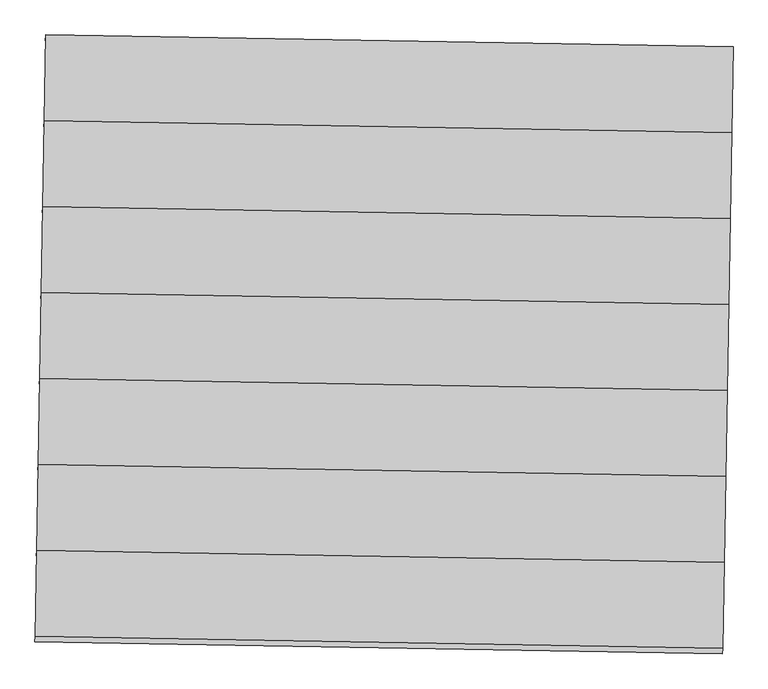
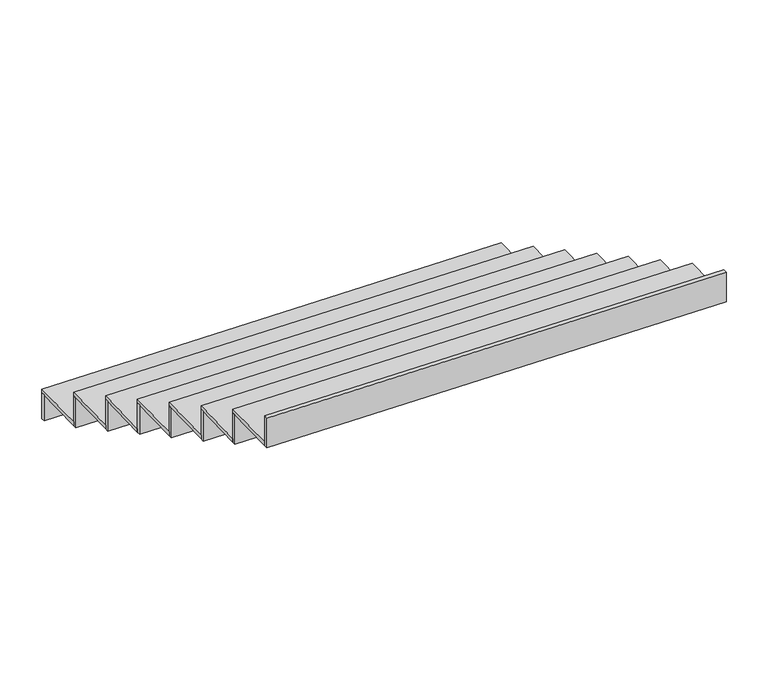
"""IFC4 building model written with IfcOpenShell, lengths in millimetres: stair flight geometry."""

from ifc_helpers import new_model, si_unit, frame, origin, place, context, project, spatial, polyline, outline, extrude, source, transform, mapped, element, save


def stair_flight_c9945458(model_context):
    return source(origin(), model_context, "Body", "SweptSolid", [
        extrude(outline(polyline([(-142949.6948307, 85679.1422095), (-142949.3457825, 85699.1391634), (-140549.7113142, 85657.2533879), (-140550.0603623, 85637.256434), (-142949.6948307, 85679.1422095)])), frame((0.0, 0.0, 8633.5), z_axis=(0.0, 0.0, 1.0), x_axis=(1.0, 0.0, 0.0)), (0.0, 0.0, 1.0), 145.078125),
        extrude(outline(polyline([(-140554.9470361, 85357.2990794), (-142954.5815045, 85399.1848548), (-142949.3457825, 85699.1391634), (-140549.7113142, 85657.2533879), (-140554.9470361, 85357.2990794)])), frame((0.0, 0.0, 8778.578125), z_axis=(0.0, 0.0, 1.0), x_axis=(1.0, 0.0, 0.0)), (0.0, 0.0, 1.0), 20.0),
        extrude(outline(polyline([(-142954.9305526, 85379.1879009), (-142954.5815045, 85399.1848548), (-140554.9470361, 85357.2990794), (-140555.2960842, 85337.3021255), (-142954.9305526, 85379.1879009)])), frame((0.0, 0.0, 8778.578125), z_axis=(0.0, 0.0, 1.0), x_axis=(1.0, 0.0, 0.0)), (0.0, 0.0, 1.0), 165.078125),
        extrude(outline(polyline([(-140560.182758, 85057.3447708), (-142959.8172264, 85099.2305463), (-142954.5815045, 85399.1848548), (-140554.9470361, 85357.2990794), (-140560.182758, 85057.3447708)])), frame((0.0, 0.0, 8943.65625), z_axis=(0.0, 0.0, 1.0), x_axis=(1.0, 0.0, 0.0)), (0.0, 0.0, 1.0), 20.0),
        extrude(outline(polyline([(-142960.1662745, 85079.2335924), (-142959.8172264, 85099.2305463), (-140560.182758, 85057.3447708), (-140560.5318062, 85037.3478169), (-142960.1662745, 85079.2335924)])), frame((0.0, 0.0, 8943.65625), z_axis=(0.0, 0.0, 1.0), x_axis=(1.0, 0.0, 0.0)), (0.0, 0.0, 1.0), 165.078125),
        extrude(outline(polyline([(-140565.41848, 84757.3904623), (-142965.0529483, 84799.2762377), (-142959.8172264, 85099.2305463), (-140560.182758, 85057.3447708), (-140565.41848, 84757.3904623)])), frame((0.0, 0.0, 9108.734375), z_axis=(0.0, 0.0, 1.0), x_axis=(1.0, 0.0, 0.0)), (0.0, 0.0, 1.0), 20.0),
        extrude(outline(polyline([(-142965.4019965, 84779.2792838), (-142965.0529483, 84799.2762377), (-140565.41848, 84757.3904623), (-140565.7675281, 84737.3935084), (-142965.4019965, 84779.2792838)])), frame((0.0, 0.0, 9108.734375), z_axis=(0.0, 0.0, 1.0), x_axis=(1.0, 0.0, 0.0)), (0.0, 0.0, 1.0), 165.078125),
        extrude(outline(polyline([(-140570.6542019, 84457.4361537), (-142970.2886703, 84499.3219292), (-142965.0529483, 84799.2762377), (-140565.41848, 84757.3904623), (-140570.6542019, 84457.4361537)])), frame((0.0, 0.0, 9273.8125), z_axis=(0.0, 0.0, 1.0), x_axis=(1.0, 0.0, 0.0)), (0.0, 0.0, 1.0), 20.0),
        extrude(outline(polyline([(-142970.6377184, 84479.3249753), (-142970.2886703, 84499.3219292), (-140570.6542019, 84457.4361537), (-140571.00325, 84437.4391998), (-142970.6377184, 84479.3249753)])), frame((0.0, 0.0, 9273.8125), z_axis=(0.0, 0.0, 1.0), x_axis=(1.0, 0.0, 0.0)), (0.0, 0.0, 1.0), 165.078125),
        extrude(outline(polyline([(-140575.8899238, 84157.4818452), (-142975.5243922, 84199.3676206), (-142970.2886703, 84499.3219292), (-140570.6542019, 84457.4361537), (-140575.8899238, 84157.4818452)])), frame((0.0, 0.0, 9438.890625), z_axis=(0.0, 0.0, 1.0), x_axis=(1.0, 0.0, 0.0)), (0.0, 0.0, 1.0), 20.0),
        extrude(outline(polyline([(-142975.8734403, 84179.3706667), (-142975.5243922, 84199.3676206), (-140575.8899238, 84157.4818452), (-140576.238972, 84137.4848913), (-142975.8734403, 84179.3706667)])), frame((0.0, 0.0, 9438.890625), z_axis=(0.0, 0.0, 1.0), x_axis=(1.0, 0.0, 0.0)), (0.0, 0.0, 1.0), 165.078125),
        extrude(outline(polyline([(-140581.1256458, 83857.5275366), (-142980.7601141, 83899.4133121), (-142975.5243922, 84199.3676206), (-140575.8899238, 84157.4818452), (-140581.1256458, 83857.5275366)])), frame((0.0, 0.0, 9603.96875), z_axis=(0.0, 0.0, 1.0), x_axis=(1.0, 0.0, 0.0)), (0.0, 0.0, 1.0), 20.0),
        extrude(outline(polyline([(-142981.1091623, 83879.4163582), (-142980.7601141, 83899.4133121), (-140581.1256458, 83857.5275366), (-140581.4746939, 83837.5305827), (-142981.1091623, 83879.4163582)])), frame((0.0, 0.0, 9603.96875), z_axis=(0.0, 0.0, 1.0), x_axis=(1.0, 0.0, 0.0)), (0.0, 0.0, 1.0), 165.078125),
        extrude(outline(polyline([(-142986.3448842, 83579.4620496), (-142985.9958361, 83599.4590035), (-140586.3613677, 83557.5732281), (-140586.7104158, 83537.5762742), (-142986.3448842, 83579.4620496)])), frame((0.0, 0.0, 9769.046875), z_axis=(0.0, 0.0, 1.0), x_axis=(1.0, 0.0, 0.0)), (0.0, 0.0, 1.0), 165.078125),
        extrude(outline(polyline([(-140586.3613677, 83557.5732281), (-142985.9958361, 83599.4590035), (-142980.7601141, 83899.4133121), (-140581.1256458, 83857.5275366), (-140586.3613677, 83557.5732281)])), frame((0.0, 0.0, 9769.046875), z_axis=(0.0, 0.0, 1.0), x_axis=(1.0, 0.0, 0.0)), (0.0, 0.0, 1.0), 20.0),
    ])


if __name__ == "__main__":
    model = new_model("IFC4")
    model_context = context("Model", 3, world=origin())
    ifc_project = project(units=[si_unit("LENGTHUNIT", "METRE", prefix="MILLI")], contexts=[model_context])
    site = spatial("IfcSite", under=ifc_project)
    building = spatial("IfcBuilding", under=site)
    placement = place(None, origin())
    stair_flight_shape = stair_flight_c9945458(model_context)
    element("IfcStairFlight", 1, at=placement, inside=building, context=model_context, shape_type="MappedRepresentation", body=[
        mapped(stair_flight_shape, transform((0.0, 0.0, 0.0), x_axis=(1.0, 0.0, 0.0), y_axis=(0.0, 1.0, 0.0), z_axis=(0.0, 0.0, 1.0))),
    ])
    save(model, "model.ifc")
